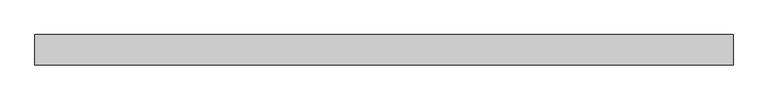
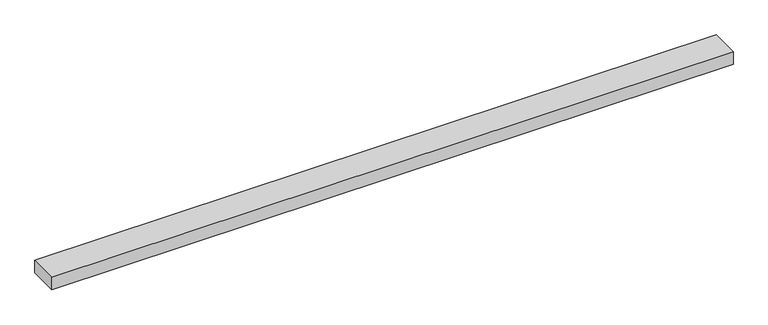
"""IFC4 building model written with IfcOpenShell, lengths in millimetres: beam geometry."""

from ifc_helpers import new_model, si_unit, frame, origin, place, context, project, spatial, polyline, outline, extrude, source, transform, mapped, element, save


def beam_733a6d79(model_context):
    return source(origin(), model_context, "Body", "SweptSolid", [
        extrude(outline(polyline([(577.3502692, 25.0), (577.3502692, -25.0), (-577.3502692, -25.0), (-577.3502692, 25.0), (577.3502692, 25.0)])), frame((0.0, 0.0, -11.0), z_axis=(0.0, 0.0, 1.0), x_axis=(1.0, 0.0, 0.0)), (0.0, 0.0, 1.0), 22.0),
    ])


if __name__ == "__main__":
    model = new_model("IFC4")
    model_context = context("Model", 3, world=origin())
    ifc_project = project(units=[si_unit("LENGTHUNIT", "METRE", prefix="MILLI")], contexts=[model_context])
    site = spatial("IfcSite", under=ifc_project)
    building = spatial("IfcBuilding", under=site)
    placement = place(None, origin())
    beam_shape = beam_733a6d79(model_context)
    element("IfcBeam", 1, at=placement, inside=building, context=model_context, shape_type="MappedRepresentation", body=[
        mapped(beam_shape, transform((0.0, 0.0, 0.0), x_axis=(1.0, 0.0, 0.0), y_axis=(0.0, 1.0, 0.0), z_axis=(0.0, 0.0, 1.0))),
    ])
    save(model, "model.ifc")
